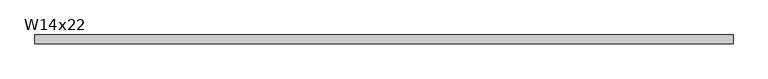
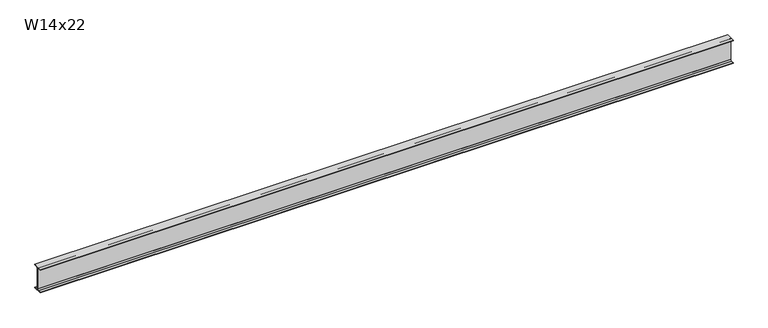
"""IFC4 building model written with IfcOpenShell, lengths in millimetres: beam geometry, W14x22."""

from ifc_helpers import new_model, si_unit, point, frame, frame_2d, origin, place, context, project, spatial, polyline, circle_curve, trimmed, segment, composite_curve, outline, extrude, source, transform, mapped, element, save


def w14x22_3272bc21(model_context):
    return source(origin(), model_context, "Body", "SweptSolid", [
        extrude(outline(composite_curve([segment(polyline([(63.5, -165.481), (63.5, -173.99), (-63.5, -173.99), (-63.5, -165.481), (-21.3995, -165.481)]), True, "CONTINUOUS"), segment(trimmed(circle_curve(frame_2d((-21.3995, -147.0025)), 18.4785), [point((-21.3995, -165.481))], [point((-2.921, -147.0025))], True, "CARTESIAN"), True, "CONTINUOUS"), segment(polyline([(-2.921, -147.0025), (-2.921, 147.0025)]), True, "CONTINUOUS"), segment(trimmed(circle_curve(frame_2d((-21.3995, 147.0025)), 18.4785), [point((-2.921, 147.0025))], [point((-21.3995, 165.481))], True, "CARTESIAN"), True, "CONTINUOUS"), segment(polyline([(-21.3995, 165.481), (-63.5, 165.481), (-63.5, 173.99), (63.5, 173.99), (63.5, 165.481), (21.3995, 165.481)]), True, "CONTINUOUS"), segment(trimmed(circle_curve(frame_2d((21.3995, 147.0025)), 18.4785), [point((21.3995, 165.481))], [point((2.921, 147.0025))], True, "CARTESIAN"), True, "CONTINUOUS"), segment(polyline([(2.921, 147.0025), (2.921, -147.0025)]), True, "CONTINUOUS"), segment(trimmed(circle_curve(frame_2d((21.3995, -147.0025)), 18.4785), [point((2.921, -147.0025))], [point((21.3995, -165.481))], True, "CARTESIAN"), True, "CONTINUOUS"), segment(polyline([(21.3995, -165.481), (63.5, -165.481)]), True, "CONTINUOUS")], self_intersect=False)), frame((-4805.8236203, 0.0, 0.0), z_axis=(1.0, 0.0, 0.0), x_axis=(0.0, 1.0, 0.0)), (0.0, 0.0, 1.0), 9785.2787722),
    ])


if __name__ == "__main__":
    model = new_model("IFC4")
    model_context = context("Model", 3, world=origin())
    ifc_project = project(units=[si_unit("LENGTHUNIT", "METRE", prefix="MILLI")], contexts=[model_context])
    site = spatial("IfcSite", under=ifc_project)
    building = spatial("IfcBuilding", under=site)
    placement = place(None, origin())
    w14x22_shape = w14x22_3272bc21(model_context)
    element("IfcBeam", 1, ObjectType="W14x22", at=placement, inside=building, context=model_context, shape_type="MappedRepresentation", body=[
        mapped(w14x22_shape, transform((0.0, 0.0, 0.0), x_axis=(1.0, 0.0, 0.0), y_axis=(0.0, 1.0, 0.0), z_axis=(0.0, 0.0, 1.0))),
    ])
    save(model, "model.ifc")
